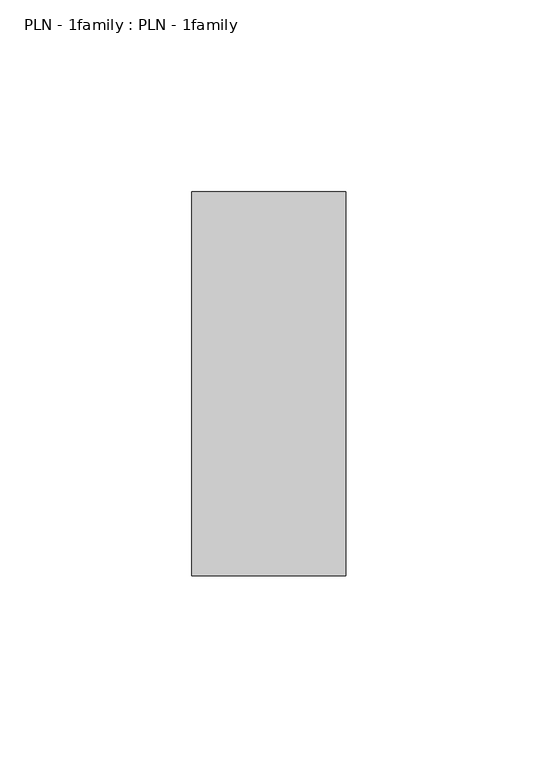
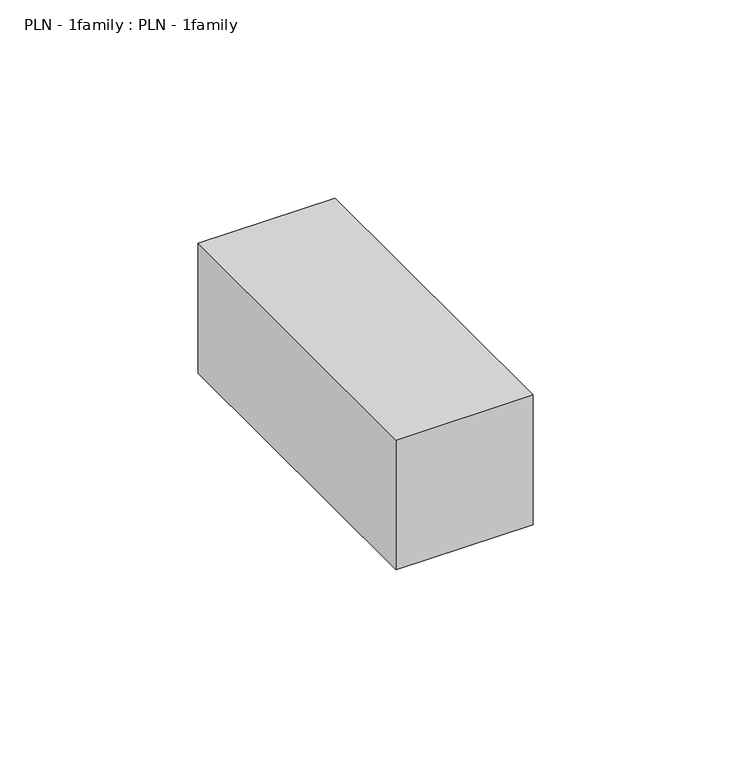
"""IFC4 building model written with IfcOpenShell, lengths in millimetres: proxy geometry, PLN - 1family : PLN - 1family."""

from ifc_helpers import new_model, si_unit, frame, origin, place, context, project, spatial, polyline, outline, extrude, source, transform, mapped, element, save


def pln_1family_pln_1family_fcb6b026(model_context):
    return source(origin(), model_context, "Body", "SweptSolid", [
        extrude(outline(polyline([(0.0, 100.0), (40.0, 100.0), (40.0, 0.0), (0.0, 0.0), (0.0, 100.0)])), frame((0.0, 0.0, 50.0), z_axis=(0.0, 0.0, 1.0), x_axis=(1.0, 0.0, 0.0)), (0.0, 0.0, 1.0), 40.0),
    ])


if __name__ == "__main__":
    model = new_model("IFC4")
    model_context = context("Model", 3, world=origin())
    ifc_project = project(units=[si_unit("LENGTHUNIT", "METRE", prefix="MILLI")], contexts=[model_context])
    site = spatial("IfcSite", under=ifc_project)
    building = spatial("IfcBuilding", under=site)
    placement = place(None, origin())
    pln_1family_pln_1family_shape = pln_1family_pln_1family_fcb6b026(model_context)
    element("IfcBuildingElementProxy", 1, Name="PLN - 1family : PLN - 1family", ObjectType="PLN - 1family : PLN - 1family", at=placement, inside=building, context=model_context, shape_type="MappedRepresentation", body=[
        mapped(pln_1family_pln_1family_shape, transform((0.0, 0.0, 0.0), x_axis=(1.0, 0.0, 0.0), y_axis=(0.0, 1.0, 0.0), z_axis=(0.0, 0.0, 1.0))),
    ])
    save(model, "model.ifc")
